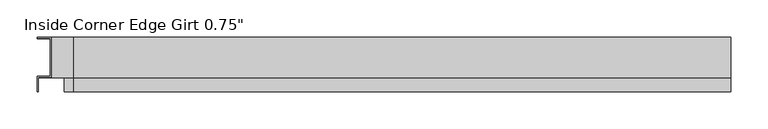
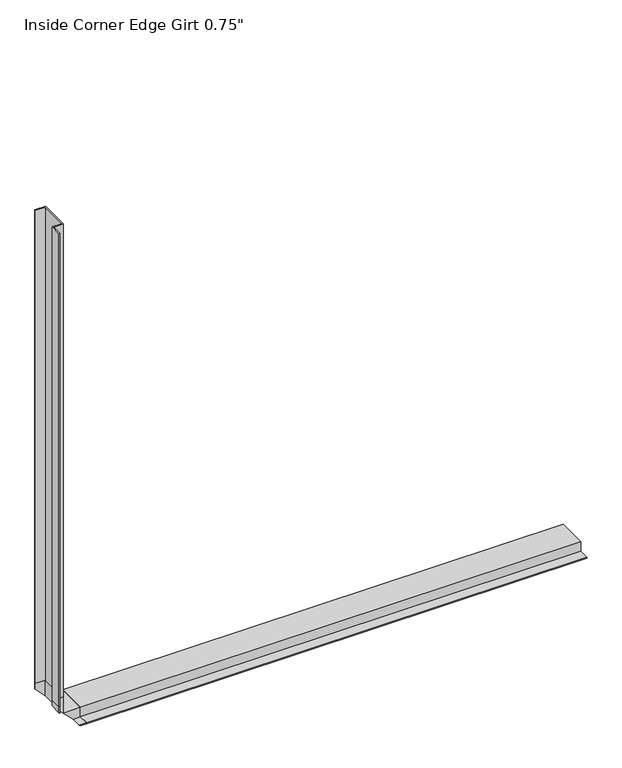
"""IFC4 building model written with IfcOpenShell, lengths in millimetres: proxy geometry."""

from ifc_helpers import new_model, si_unit, frame, origin, place, context, project, spatial, polyline, outline, extrude, faceted_brep, source, transform, mapped, element, save


def proxy_5f5fe102(model_context):
    return source(origin(), model_context, "Body", "SolidModel", [
        extrude(outline(polyline([(171.475, -46.0559645), (171.475, -25.4), (188.9125, -25.4), (188.9125, 25.4), (171.475, 25.4), (171.475, 27.0129), (190.5254, 27.0129), (190.5254, -27.0129), (173.0883, -27.0129), (173.0883, -46.0559645), (171.475, -46.0559645)])), frame((0.0, 0.0, 220.6625), z_axis=(0.0, 0.0, 1.0), x_axis=(1.0, 0.0, 0.0)), (0.0, 0.0, 1.0), 882.65),
        extrude(outline(polyline([(-46.0559645, 171.475), (-46.0559645, 173.0883), (-27.0129, 173.0883), (-27.0129, 190.5254), (27.0129, 190.5254), (27.0129, 171.475), (25.4, 171.475), (25.4, 188.9125), (-25.4, 188.9125), (-25.4, 171.475), (-46.0559645, 171.475)])), frame((220.6625, 0.0, 0.0), z_axis=(1.0, 0.0, 0.0), x_axis=(0.0, 1.0, 0.0)), (0.0, 0.0, 1.0), 882.65),
        faceted_brep([(171.475, -25.4, 220.6625), (171.475, -46.0559645, 220.6625), (173.0883, -46.0559645, 220.6625), (173.0883, -27.0129, 220.6625), (190.5254, -27.0129, 220.6625), (190.5254, 27.0129, 220.6625), (171.475, 27.0129, 220.6625), (171.475, 25.4, 220.6625), (188.9125, 25.4, 220.6625), (188.9125, -25.4, 220.6625), (220.6625, -25.4, 171.475), (209.5758, -25.4, 171.475), (192.1383, -25.4, 188.9125), (220.6625, -25.4, 188.9125), (188.9125, -25.4, 192.1383), (171.475, -25.4, 209.5758), (188.9125, 25.4, 192.1383), (220.6625, 25.4, 188.9125), (192.1383, 25.4, 188.9125), (209.5758, 25.4, 171.475), (220.6625, 25.4, 171.475), (171.475, 25.4, 209.5758), (171.475, 27.0129, 209.5758), (220.6625, 27.0129, 171.475), (209.5758, 27.0129, 171.475), (190.5254, 27.0129, 190.5254), (220.6625, 27.0129, 190.5254), (190.5254, -27.0129, 190.5254), (207.9625, -27.0129, 173.0883), (220.6625, -27.0129, 173.0883), (220.6625, -27.0129, 190.5254), (173.0883, -27.0129, 207.9625), (173.0883, -46.0559645, 207.9625), (220.6625, -46.0559645, 173.0883), (207.9625, -46.0559645, 173.0883), (209.5758, -46.0559645, 171.475), (220.6625, -46.0559645, 171.475), (171.475, -46.0559645, 209.5758)], [[[0, 1, 2, 3, 4, 5, 6, 7, 8, 9]], [[10, 11, 12, 13]], [[9, 14, 15, 0]], [[8, 16, 14, 9]], [[17, 18, 19, 20]], [[7, 21, 16, 8]], [[6, 22, 21, 7]], [[23, 24, 25, 26]], [[5, 25, 22, 6]], [[4, 27, 25, 5]], [[27, 28, 29, 30]], [[3, 31, 27, 4]], [[2, 32, 31, 3]], [[33, 34, 35, 36]], [[1, 37, 32, 2]], [[0, 15, 37, 1]], [[13, 17, 20, 23, 26, 30, 29, 33, 36, 10]], [[13, 12, 18, 17]], [[20, 19, 24, 23]], [[25, 27, 30, 26]], [[29, 28, 34, 33]], [[36, 35, 11, 10]], [[25, 24, 19, 18, 12, 11, 35, 34, 28, 27]], [[27, 31, 32, 37, 15, 14, 16, 21, 22, 25]]]),
    ])


if __name__ == "__main__":
    model = new_model("IFC4")
    model_context = context("Model", 3, world=origin())
    ifc_project = project(units=[si_unit("LENGTHUNIT", "METRE", prefix="MILLI")], contexts=[model_context])
    site = spatial("IfcSite", under=ifc_project)
    building = spatial("IfcBuilding", under=site)
    placement = place(None, origin())
    proxy_shape = proxy_5f5fe102(model_context)
    element("IfcBuildingElementProxy", 1, Name="Inside Corner Edge Girt 0.75\"", ObjectType="Inside Corner Edge Girt 0.75\"", at=placement, inside=building, context=model_context, shape_type="MappedRepresentation", body=[
        mapped(proxy_shape, transform((0.0, 0.0, 0.0), x_axis=(1.0, 0.0, 0.0), y_axis=(0.0, 1.0, 0.0), z_axis=(0.0, 0.0, 1.0))),
    ])
    save(model, "model.ifc")
